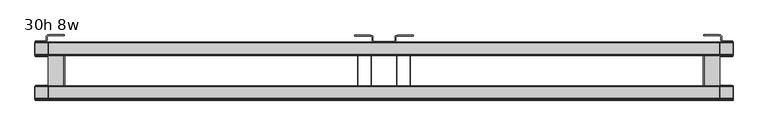
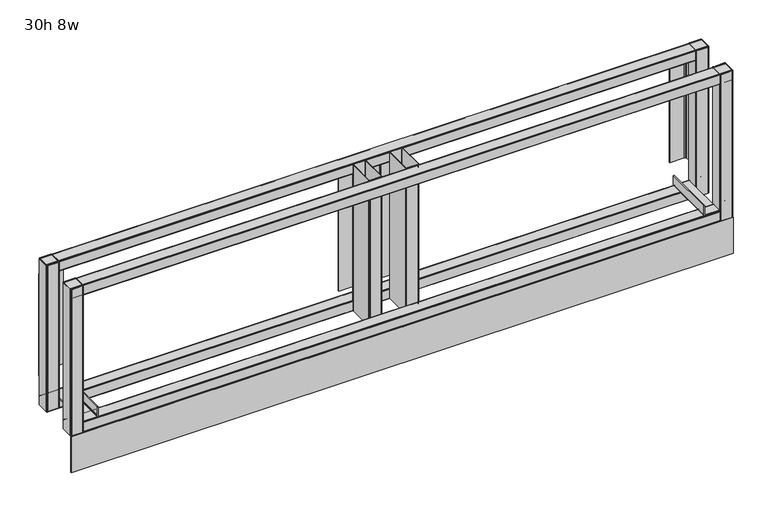
"""IFC4 building model written with IfcOpenShell, lengths in millimetres: furniture geometry, 30h 8w."""

from ifc_helpers import new_model, si_unit, point, frame, frame_2d, origin, origin_with_axes, place, context, project, spatial, polyline, circle_curve, trimmed, segment, composite_curve, outline, extrude, source, transform, mapped, element, save


def furniture_30h_8w_a753b2ae(model_context):
    return source(origin(), model_context, "Body", "SweptSolid", [
        extrude(outline(polyline([(1184.9208445, -23.01875), (1219.2, -23.01875), (1219.2, -26.0161562), (1184.769944, -26.0161562), (1180.6778403, -24.9196801), (1178.4539889, -22.6958267), (1177.6399988, -19.6579869), (1177.6399988, -7.8317466), (1177.233006, -6.3128259), (1176.1210781, -5.2009002), (1171.7916973, -4.0408449), (1117.1778418, -4.0408449), (1117.1778418, -0.9623159), (1171.6398534, -0.9623159), (1177.6399988, -2.5700538), (1179.8638547, -4.7939074), (1180.6778403, -7.8317466), (1180.6778403, -19.6579869), (1181.0848331, -21.1769068), (1182.196761, -22.2888334), (1184.9208445, -23.01875)])), frame((0.0, 0.0, 178.4492695), z_axis=(0.0, 0.0, 1.0), x_axis=(1.0, 0.0, 0.0)), (0.0, 0.0, 1.0), 493.3752805),
        extrude(outline(polyline([(1253.4791555, -23.01875), (1256.203239, -22.2888334), (1257.3151669, -21.1769068), (1257.7221597, -19.6579869), (1257.7221597, -7.8317466), (1258.5361453, -4.7939074), (1260.7600012, -2.5700538), (1266.7601466, -0.9623159), (1321.2221582, -0.9623159), (1321.2221582, -4.0408449), (1266.6083027, -4.0408449), (1262.2789219, -5.2009002), (1261.166994, -6.3128259), (1260.7600012, -7.8317466), (1260.7600012, -19.6579869), (1259.9460111, -22.6958267), (1257.7221597, -24.9196801), (1253.630056, -26.0161562), (1219.2, -26.0161562), (1219.2, -23.01875), (1253.4791555, -23.01875)])), frame((0.0, 0.0, 176.0315177), z_axis=(0.0, 0.0, 1.0), x_axis=(1.0, 0.0, 0.0)), (0.0, 0.0, 1.0), 495.7930323),
        extrude(outline(polyline([(1310.6815183, -176.3631669), (1310.2543166, -177.9575039), (1309.0921861, -179.1196377), (1307.5046862, -179.5450069), (1266.292947, -179.5450069), (1264.844472, -178.8515672), (1263.8751952, -177.5444386), (1263.65, -176.3700054), (1263.65, -75.266001), (1264.844472, -73.6551776), (1266.2929424, -72.9617378), (1268.4223291, -72.9617378), (1307.5046862, -72.9617378), (1309.0921861, -73.3871072), (1310.2543167, -74.5492378), (1310.6815183, -76.1435762), (1310.6815183, -176.3631669)]), holes=[composite_curve([segment(polyline([(1308.774686, -176.421801), (1308.774686, -76.0730142)]), True, "CONTINUOUS"), segment(trimmed(circle_curve(frame_2d((1307.5684096, -76.0730142)), 1.2062764), [point((1308.774686, -76.0730142))], [point((1307.5684096, -74.8667379))], True, "CARTESIAN"), True, "CONTINUOUS"), segment(polyline([(1307.5684096, -74.8667379), (1266.8098272, -74.8667379)]), True, "CONTINUOUS"), segment(trimmed(circle_curve(frame_2d((1266.8098272, -76.1215668)), 1.2548289), [point((1266.8098272, -74.8667379))], [point((1265.5549983, -76.1215668))], True, "CARTESIAN"), True, "CONTINUOUS"), segment(polyline([(1265.5549983, -76.1215668), (1265.5549983, -176.5865426)]), True, "CONTINUOUS"), segment(trimmed(circle_curve(frame_2d((1266.6084599, -176.5865426)), 1.0534616), [point((1265.5549983, -176.5865426))], [point((1266.6084599, -177.6400042))], True, "CARTESIAN"), True, "CONTINUOUS"), segment(polyline([(1266.6084599, -177.6400042), (1307.5564828, -177.6400042)]), True, "CONTINUOUS"), segment(trimmed(circle_curve(frame_2d((1307.5564828, -176.421801)), 1.2182032), [point((1307.5564828, -177.6400042))], [point((1308.774686, -176.421801))], True, "CARTESIAN"), True, "CONTINUOUS")], self_intersect=False)]), frame((0.0, 0.0, 142.2400006), z_axis=(0.0, 0.0, 1.0), x_axis=(1.0, 0.0, 0.0)), (0.0, 0.0, 1.0), 569.0435446),
        extrude(outline(polyline([(1127.7184817, -176.3631669), (1127.7184817, -76.1435769), (1128.1456833, -74.5492385), (1129.3078139, -73.3871079), (1130.8953138, -72.9617386), (1169.9776709, -72.9617378), (1172.1070576, -72.9617378), (1173.555528, -73.6551776), (1174.75, -75.266001), (1174.75, -176.3700054), (1174.5248048, -177.5444386), (1173.555528, -178.8515672), (1172.107053, -179.5450069), (1130.8953138, -179.5450069), (1129.3078139, -179.1196377), (1128.1456834, -177.9575039), (1127.7184817, -176.3631669)]), holes=[composite_curve([segment(trimmed(circle_curve(frame_2d((1130.8435172, -176.4218009)), 1.2182032), [point((1129.625314, -176.4218009))], [point((1130.8435172, -177.6400042))], True, "CARTESIAN"), True, "CONTINUOUS"), segment(polyline([(1130.8435172, -177.6400042), (1171.7915401, -177.6400042)]), True, "CONTINUOUS"), segment(trimmed(circle_curve(frame_2d((1171.7915401, -176.5865426)), 1.0534616), [point((1171.7915401, -177.6400042))], [point((1172.8450017, -176.5865426))], True, "CARTESIAN"), True, "CONTINUOUS"), segment(polyline([(1172.8450017, -176.5865426), (1172.8450017, -76.1215668)]), True, "CONTINUOUS"), segment(trimmed(circle_curve(frame_2d((1171.5901728, -76.1215668)), 1.2548289), [point((1172.8450017, -76.1215668))], [point((1171.5901728, -74.8667379))], True, "CARTESIAN"), True, "CONTINUOUS"), segment(polyline([(1171.5901728, -74.8667379), (1130.8315904, -74.8667385)]), True, "CONTINUOUS"), segment(trimmed(circle_curve(frame_2d((1130.8315904, -76.0730149)), 1.2062764), [point((1130.8315904, -74.8667385))], [point((1129.625314, -76.0730149))], True, "CARTESIAN"), True, "CONTINUOUS"), segment(polyline([(1129.625314, -76.0730149), (1129.625314, -176.4218009)]), True, "CONTINUOUS")], self_intersect=False)]), frame((0.0, 0.0, 142.2400006), z_axis=(0.0, 0.0, 1.0), x_axis=(1.0, 0.0, 0.0)), (0.0, 0.0, 1.0), 569.0435446),
        extrude(outline(polyline([(35.3068785, -22.0564341), (38.030962, -21.3265174), (39.14289, -20.2145909), (39.5498827, -18.695671), (39.5498827, -6.8694307), (40.3638683, -3.8315915), (42.5877242, -1.6077378), (48.5878696, 0.0), (103.0498812, 0.0), (103.0498812, -3.078529), (48.4360257, -3.078529), (44.1066449, -4.2385842), (42.994717, -5.3505099), (42.5877242, -6.8694307), (42.5877242, -18.695671), (41.7737341, -21.7335108), (39.5498827, -23.9573641), (35.457779, -25.0538403), (1.027723, -25.0538403), (1.027723, -22.0564341), (35.3068785, -22.0564341)])), frame((0.0, 0.0, 251.0568051), z_axis=(0.0, 0.0, 1.0), x_axis=(1.0, 0.0, 0.0)), (0.0, 0.0, 1.0), 397.1052306),
        extrude(outline(polyline([(2403.0931215, -22.0564341), (2437.372277, -22.0564341), (2437.372277, -25.0538403), (2402.942221, -25.0538403), (2398.8501173, -23.9573641), (2396.6262659, -21.7335108), (2395.8122758, -18.695671), (2395.8122758, -6.8694307), (2395.405283, -5.3505099), (2394.2933551, -4.2385842), (2389.9639743, -3.078529), (2335.3501188, -3.078529), (2335.3501188, 0.0), (2389.8121304, 0.0), (2395.8122758, -1.6077378), (2398.0361317, -3.8315915), (2398.8501173, -6.8694307), (2398.8501173, -18.695671), (2399.25711, -20.2145909), (2400.369038, -21.3265174), (2403.0931215, -22.0564341)])), frame((0.0, 0.0, 251.0568051), z_axis=(0.0, 0.0, 1.0), x_axis=(1.0, 0.0, 0.0)), (0.0, 0.0, 1.0), 397.1052306),
        extrude(outline(polyline([(217.1649967, 2333.9758798), (183.3880068, 2333.9758798), (180.2764961, 2334.8096043), (177.9987282, 2337.0873722), (177.1650036, 2340.1988647), (177.1650036, 2391.3782739), (180.2130007, 2391.3782739), (180.2130007, 2340.1988647), (180.6383745, 2338.6113708), (181.8004947, 2337.4492506), (183.3880068, 2337.0238768), (217.1649967, 2337.0238768), (217.1649967, 2333.9758798)])), frame((0.0, -223.0555224, 0.0), z_axis=(0.0, 1.0, 0.0), x_axis=(0.0, 0.0, 1.0)), (0.0, 0.0, 1.0), 194.5544148),
        extrude(outline(polyline([(217.1649967, 104.4241202), (217.1649967, 101.3761232), (183.3880068, 101.3761232), (181.8004947, 100.9507494), (180.6383745, 99.7886292), (180.2130007, 98.2011353), (180.2130007, 47.0315183), (177.1650036, 47.0315183), (177.1650036, 98.2011353), (177.9987282, 101.3126278), (180.2764961, 103.5903957), (183.3880068, 104.4241202), (217.1649967, 104.4241202)])), frame((0.0, -223.0555224, 0.0), z_axis=(0.0, 1.0, 0.0), x_axis=(0.0, 0.0, 1.0)), (0.0, 0.0, 1.0), 194.5537952),
        extrude(outline(polyline([(2438.4, -229.202005), (0.762, -229.202005), (0.762, -227.1700069), (2438.4, -227.1700069), (2438.4, -229.202005)])), origin_with_axes(), (0.0, 0.0, 1.0), 139.700003),
        extrude(outline(polyline([(2438.4, -72.6720019), (2437.9727983, -74.2663388), (2436.8106677, -75.4284727), (2435.2231678, -75.8538427), (2394.0114287, -75.8538427), (2392.5629536, -75.160403), (2391.5936768, -73.8532744), (2391.3684817, -72.6788412), (2391.3684817, -27.3581035), (2392.5629536, -25.7472801), (2394.011424, -25.0538403), (2396.1408108, -25.0538403), (2435.2231679, -25.0538403), (2436.8106677, -25.4792096), (2437.9727983, -26.6413403), (2438.4, -28.2356786), (2438.4, -72.6720019)]), holes=[composite_curve([segment(polyline([(2436.4931676, -72.730636), (2436.4931676, -28.1651167)]), True, "CONTINUOUS"), segment(trimmed(circle_curve(frame_2d((2435.2868912, -28.1651167)), 1.2062764), [point((2436.4931676, -28.1651167))], [point((2435.2868912, -26.9588403))], True, "CARTESIAN"), True, "CONTINUOUS"), segment(polyline([(2435.2868912, -26.9588403), (2394.5283089, -26.9588403)]), True, "CONTINUOUS"), segment(trimmed(circle_curve(frame_2d((2394.5283089, -28.2136693)), 1.254829), [point((2394.5283089, -26.9588403))], [point((2393.2734799, -28.2136693))], True, "CARTESIAN"), True, "CONTINUOUS"), segment(polyline([(2393.2734799, -28.2136693), (2393.2734799, -72.8953775)]), True, "CONTINUOUS"), segment(trimmed(circle_curve(frame_2d((2394.3269416, -72.8953775)), 1.0534616), [point((2393.2734799, -72.8953775))], [point((2394.3269416, -73.9488391))], True, "CARTESIAN"), True, "CONTINUOUS"), segment(polyline([(2394.3269416, -73.9488391), (2435.2749644, -73.9488391)]), True, "CONTINUOUS"), segment(trimmed(circle_curve(frame_2d((2435.2749644, -72.730636)), 1.2182032), [point((2435.2749644, -73.9488391))], [point((2436.4931676, -72.730636))], True, "CARTESIAN"), True, "CONTINUOUS")], self_intersect=False)]), frame((0.0, 0.0, 142.2400006), z_axis=(0.0, 0.0, 1.0), x_axis=(1.0, 0.0, 0.0)), (0.0, 0.0, 1.0), 568.9599752),
        extrude(outline(polyline([(2438.4, -226.020165), (2437.9727983, -227.6145019), (2436.8106677, -228.7766357), (2435.2231678, -229.202005), (2394.0114287, -229.202005), (2392.5629536, -228.5085653), (2391.5936768, -227.2014367), (2391.3684817, -226.0270034), (2391.3684817, -180.7062658), (2392.5629536, -179.0954424), (2394.0114242, -178.4020034), (2396.1408108, -178.4020034), (2435.2231679, -178.4020034), (2436.8106677, -178.8273727), (2437.9727983, -179.9895033), (2438.4, -181.5838417), (2438.4, -226.020165)]), holes=[composite_curve([segment(polyline([(2436.4931676, -226.078799), (2436.4931676, -181.5132797)]), True, "CONTINUOUS"), segment(trimmed(circle_curve(frame_2d((2435.2868912, -181.5132797)), 1.2062764), [point((2436.4931676, -181.5132797))], [point((2435.2868912, -180.3070033))], True, "CARTESIAN"), True, "CONTINUOUS"), segment(polyline([(2435.2868912, -180.3070033), (2394.5283089, -180.3070026)]), True, "CONTINUOUS"), segment(trimmed(circle_curve(frame_2d((2394.5283089, -181.5618316)), 1.2548289), [point((2394.5283089, -180.3070026))], [point((2393.27348, -181.5618316))], True, "CARTESIAN"), True, "CONTINUOUS"), segment(polyline([(2393.27348, -181.5618316), (2393.27348, -226.2435406)]), True, "CONTINUOUS"), segment(trimmed(circle_curve(frame_2d((2394.3269416, -226.2435406)), 1.0534615), [point((2393.27348, -226.2435406))], [point((2394.3269416, -227.2970021))], True, "CARTESIAN"), True, "CONTINUOUS"), segment(polyline([(2394.3269416, -227.2970021), (2435.2749644, -227.2970021)]), True, "CONTINUOUS"), segment(trimmed(circle_curve(frame_2d((2435.2749644, -226.078799)), 1.2182032), [point((2435.2749644, -227.2970021))], [point((2436.4931676, -226.078799))], True, "CARTESIAN"), True, "CONTINUOUS")], self_intersect=False)]), frame((0.0, 0.0, 142.2400006), z_axis=(0.0, 0.0, 1.0), x_axis=(1.0, 0.0, 0.0)), (0.0, 0.0, 1.0), 569.0435446),
        extrude(outline(polyline([(0.0, -72.6720025), (0.0, -28.2356792), (0.4272017, -26.6413409), (1.5893323, -25.4792102), (3.1768321, -25.0538409), (42.2591892, -25.0538401), (44.3885759, -25.0538401), (45.8370464, -25.7472799), (47.0315183, -27.3581033), (47.0315183, -72.678841), (46.8063232, -73.8532742), (45.8370464, -75.1604028), (44.3885713, -75.8538425), (3.1768322, -75.8538425), (1.5893323, -75.4284733), (0.4272017, -74.2663394), (0.0, -72.6720025)]), holes=[composite_curve([segment(trimmed(circle_curve(frame_2d((3.1250356, -72.7306366)), 1.2182032), [point((1.9068324, -72.7306366))], [point((3.1250356, -73.9488397))], True, "CARTESIAN"), True, "CONTINUOUS"), segment(polyline([(3.1250356, -73.9488397), (44.0730584, -73.9488397)]), True, "CONTINUOUS"), segment(trimmed(circle_curve(frame_2d((44.0730584, -72.8953781)), 1.0534617), [point((44.0730584, -73.9488397))], [point((45.1265201, -72.8953781))], True, "CARTESIAN"), True, "CONTINUOUS"), segment(polyline([(45.1265201, -72.8953781), (45.1265201, -28.2136691)]), True, "CONTINUOUS"), segment(trimmed(circle_curve(frame_2d((43.8716912, -28.2136691)), 1.2548289), [point((45.1265201, -28.2136691))], [point((43.8716911, -26.9588402))], True, "CARTESIAN"), True, "CONTINUOUS"), segment(polyline([(43.8716911, -26.9588402), (3.1131087, -26.9588408)]), True, "CONTINUOUS"), segment(trimmed(circle_curve(frame_2d((3.1131088, -28.1651172)), 1.2062764), [point((3.1131087, -26.9588408))], [point((1.9068324, -28.1651172))], True, "CARTESIAN"), True, "CONTINUOUS"), segment(polyline([(1.9068324, -28.1651172), (1.9068324, -72.7306366)]), True, "CONTINUOUS")], self_intersect=False)]), frame((0.0, 0.0, 142.2400006), z_axis=(0.0, 0.0, 1.0), x_axis=(1.0, 0.0, 0.0)), (0.0, 0.0, 1.0), 568.9599752),
        extrude(outline(polyline([(0.0, -226.020165), (0.0, -181.5838417), (0.4272017, -179.9895033), (1.5893323, -178.8273727), (3.1768321, -178.4020034), (42.2591892, -178.4020026), (44.3885759, -178.4020026), (45.8370464, -179.0954424), (47.0315183, -180.7062658), (47.0315183, -226.0270034), (46.8063232, -227.2014367), (45.8370464, -228.5085653), (44.3885713, -229.202005), (3.1768322, -229.202005), (1.5893323, -228.7766357), (0.4272017, -227.6145019), (0.0, -226.020165)]), holes=[composite_curve([segment(trimmed(circle_curve(frame_2d((3.1250356, -226.078799)), 1.2182032), [point((1.9068324, -226.078799))], [point((3.1250356, -227.2970022))], True, "CARTESIAN"), True, "CONTINUOUS"), segment(polyline([(3.1250356, -227.2970022), (44.0730584, -227.2970022)]), True, "CONTINUOUS"), segment(trimmed(circle_curve(frame_2d((44.0730584, -226.2435405)), 1.0534617), [point((44.0730584, -227.2970022))], [point((45.1265201, -226.2435405))], True, "CARTESIAN"), True, "CONTINUOUS"), segment(polyline([(45.1265201, -226.2435405), (45.1265201, -181.5618316)]), True, "CONTINUOUS"), segment(trimmed(circle_curve(frame_2d((43.8716912, -181.5618316)), 1.2548289), [point((45.1265201, -181.5618316))], [point((43.8716911, -180.3070027))], True, "CARTESIAN"), True, "CONTINUOUS"), segment(polyline([(43.8716911, -180.3070027), (3.1131088, -180.3070033)]), True, "CONTINUOUS"), segment(trimmed(circle_curve(frame_2d((3.1131088, -181.5132797)), 1.2062764), [point((3.1131088, -180.3070033))], [point((1.9068324, -181.5132797))], True, "CARTESIAN"), True, "CONTINUOUS"), segment(polyline([(1.9068324, -181.5132797), (1.9068324, -226.078799)]), True, "CONTINUOUS")], self_intersect=False)]), frame((0.0, 0.0, 142.2400006), z_axis=(0.0, 0.0, 1.0), x_axis=(1.0, 0.0, 0.0)), (0.0, 0.0, 1.0), 569.0435446),
        extrude(outline(polyline([(-223.0347979, 139.2159088), (-224.8414605, 139.700003), (-226.0035943, 140.8621336), (-226.230526, 141.7090545), (-226.230526, 176.0315177), (-225.5370863, 177.4799928), (-224.2299577, 178.4492695), (-223.0555224, 178.6744651), (-181.8492701, 178.6744693), (-180.2384467, 177.4799928), (-179.5450075, 176.0315223), (-179.5450075, 173.9021356), (-179.5450075, 143.1902128), (-180.1688145, 140.8621336), (-181.3309451, 139.700003), (-183.1376095, 139.2159088), (-223.0347979, 139.2159088)]), holes=[composite_curve([segment(polyline([(-223.6805188, 140.8550736), (-182.557065, 140.8550736)]), True, "CONTINUOUS"), segment(trimmed(circle_curve(frame_2d((-182.557065, 142.06135)), 1.2062764), [point((-182.557065, 140.8550736))], [point((-181.3507886, 142.06135))], True, "CARTESIAN"), True, "CONTINUOUS"), segment(polyline([(-181.3507886, 142.06135), (-181.3507886, 175.4154189)]), True, "CONTINUOUS"), segment(trimmed(circle_curve(frame_2d((-182.6056175, 175.4154189)), 1.2548289), [point((-181.3507886, 175.4154189))], [point((-182.6056175, 176.6702478))], True, "CARTESIAN"), True, "CONTINUOUS"), segment(polyline([(-182.6056175, 176.6702478), (-223.6173616, 176.6702478)]), True, "CONTINUOUS"), segment(trimmed(circle_curve(frame_2d((-223.6173616, 175.813258)), 0.8569898), [point((-223.6173616, 176.6702478))], [point((-224.4743514, 175.813258))], True, "CARTESIAN"), True, "CONTINUOUS"), segment(polyline([(-224.4743514, 175.813258), (-224.4743514, 174.747971), (-224.4743514, 141.6489063)]), True, "CONTINUOUS"), segment(trimmed(circle_curve(frame_2d((-223.6805188, 141.6489063)), 0.7938326), [point((-224.4743514, 141.6489063))], [point((-223.6805188, 140.8550736))], True, "CARTESIAN"), True, "CONTINUOUS")], self_intersect=False)]), frame((1.9068324, 0.0, 0.0), z_axis=(1.0, 0.0, 0.0), x_axis=(0.0, 1.0, 0.0)), (0.0, 0.0, 1.0), 2436.4931676),
        extrude(outline(polyline([(-69.6866351, 139.2159088), (-71.4932977, 139.700003), (-72.6554315, 140.8621336), (-72.8823632, 141.7090545), (-72.8823632, 176.0315177), (-72.1889235, 177.4799928), (-70.8817949, 178.4492695), (-69.7073595, 178.6744651), (-28.5011076, 178.6744693), (-26.8902842, 177.4799928), (-26.1968444, 176.0315223), (-26.1968444, 173.9021356), (-26.1968444, 143.1902128), (-26.8206514, 140.8621336), (-27.982782, 139.700003), (-29.7894465, 139.2159088), (-69.6866351, 139.2159088)]), holes=[composite_curve([segment(polyline([(-70.332356, 140.8550736), (-29.2089019, 140.8550736)]), True, "CONTINUOUS"), segment(trimmed(circle_curve(frame_2d((-29.2089019, 142.06135)), 1.2062764), [point((-29.2089019, 140.8550736))], [point((-28.0026255, 142.06135))], True, "CARTESIAN"), True, "CONTINUOUS"), segment(polyline([(-28.0026255, 142.06135), (-28.0026255, 175.4154189)]), True, "CONTINUOUS"), segment(trimmed(circle_curve(frame_2d((-29.2574544, 175.4154189)), 1.2548289), [point((-28.0026255, 175.4154189))], [point((-29.2574544, 176.6702478))], True, "CARTESIAN"), True, "CONTINUOUS"), segment(polyline([(-29.2574544, 176.6702478), (-70.2691988, 176.6702478)]), True, "CONTINUOUS"), segment(trimmed(circle_curve(frame_2d((-70.2691988, 175.813258)), 0.8569898), [point((-70.2691988, 176.6702478))], [point((-71.1261886, 175.813258))], True, "CARTESIAN"), True, "CONTINUOUS"), segment(polyline([(-71.1261886, 175.813258), (-71.1261886, 174.747971), (-71.1261886, 141.6489063)]), True, "CONTINUOUS"), segment(trimmed(circle_curve(frame_2d((-70.332356, 141.6489063)), 0.7938326), [point((-71.1261886, 141.6489063))], [point((-70.332356, 140.8550736))], True, "CARTESIAN"), True, "CONTINUOUS")], self_intersect=False)]), frame((1.9068324, 0.0, 0.0), z_axis=(1.0, 0.0, 0.0), x_axis=(0.0, 1.0, 0.0)), (0.0, 0.0, 1.0), 2436.4931676),
        extrude(outline(polyline([(-223.0347979, 671.8249791), (-224.8414605, 672.3090734), (-226.0035943, 673.4712039), (-226.230526, 674.3181248), (-226.230526, 708.6405881), (-225.5370863, 710.0890631), (-224.2299577, 711.0583399), (-223.0532062, 711.2839796), (-181.849869, 711.2839796), (-180.2384467, 710.0890631), (-179.5450069, 708.6405927), (-179.5450069, 706.511206), (-179.5450069, 675.7992832), (-180.1688139, 673.4712039), (-181.3309445, 672.3090734), (-183.1376089, 671.8249791), (-223.0347979, 671.8249791)]), holes=[composite_curve([segment(polyline([(-223.6805188, 673.464144), (-182.5570644, 673.464144)]), True, "CONTINUOUS"), segment(trimmed(circle_curve(frame_2d((-182.5570644, 674.6704204)), 1.2062764), [point((-182.5570644, 673.464144))], [point((-181.350788, 674.6704204))], True, "CARTESIAN"), True, "CONTINUOUS"), segment(polyline([(-181.350788, 674.6704204), (-181.350788, 708.0244893)]), True, "CONTINUOUS"), segment(trimmed(circle_curve(frame_2d((-182.6056169, 708.0244893)), 1.2548289), [point((-181.350788, 708.0244893))], [point((-182.6056169, 709.2793182))], True, "CARTESIAN"), True, "CONTINUOUS"), segment(polyline([(-182.6056169, 709.2793182), (-223.6173616, 709.2793182)]), True, "CONTINUOUS"), segment(trimmed(circle_curve(frame_2d((-223.6173616, 708.4223284)), 0.8569898), [point((-223.6173616, 709.2793182))], [point((-224.4743514, 708.4223284))], True, "CARTESIAN"), True, "CONTINUOUS"), segment(polyline([(-224.4743514, 708.4223284), (-224.4743514, 707.3570413), (-224.4743514, 674.2579766)]), True, "CONTINUOUS"), segment(trimmed(circle_curve(frame_2d((-223.6805188, 674.2579766)), 0.7938326), [point((-224.4743514, 674.2579766))], [point((-223.6805188, 673.464144))], True, "CARTESIAN"), True, "CONTINUOUS")], self_intersect=False)]), frame((1.9068324, 0.0, 0.0), z_axis=(1.0, 0.0, 0.0), x_axis=(0.0, 1.0, 0.0)), (0.0, 0.0, 1.0), 2436.4931676),
        extrude(outline(polyline([(-69.6866351, 671.8249791), (-71.4932977, 672.3090734), (-72.6554315, 673.4712039), (-72.8823632, 674.3181248), (-72.8823632, 708.6405881), (-72.1889235, 710.0890631), (-70.8817949, 711.0583399), (-69.7049635, 711.2839949), (-28.5017272, 711.2839949), (-26.8902842, 710.0890631), (-26.1968444, 708.6405927), (-26.1968444, 706.511206), (-26.1968444, 675.7992832), (-26.8206514, 673.4712039), (-27.982782, 672.3090734), (-29.7894465, 671.8249791), (-69.6866351, 671.8249791)]), holes=[composite_curve([segment(polyline([(-70.332356, 673.464144), (-29.2089019, 673.464144)]), True, "CONTINUOUS"), segment(trimmed(circle_curve(frame_2d((-29.2089019, 674.6704204)), 1.2062764), [point((-29.2089019, 673.464144))], [point((-28.0026255, 674.6704204))], True, "CARTESIAN"), True, "CONTINUOUS"), segment(polyline([(-28.0026255, 674.6704204), (-28.0026255, 708.0244893)]), True, "CONTINUOUS"), segment(trimmed(circle_curve(frame_2d((-29.2574544, 708.0244893)), 1.2548289), [point((-28.0026255, 708.0244893))], [point((-29.2574544, 709.2793182))], True, "CARTESIAN"), True, "CONTINUOUS"), segment(polyline([(-29.2574544, 709.2793182), (-70.2691988, 709.2793182)]), True, "CONTINUOUS"), segment(trimmed(circle_curve(frame_2d((-70.2691988, 708.4223284)), 0.8569898), [point((-70.2691988, 709.2793182))], [point((-71.1261886, 708.4223284))], True, "CARTESIAN"), True, "CONTINUOUS"), segment(polyline([(-71.1261886, 708.4223284), (-71.1261886, 707.3570413), (-71.1261886, 674.2579766)]), True, "CONTINUOUS"), segment(trimmed(circle_curve(frame_2d((-70.332356, 674.2579766)), 0.7938326), [point((-71.1261886, 674.2579766))], [point((-70.332356, 673.464144))], True, "CARTESIAN"), True, "CONTINUOUS")], self_intersect=False)]), frame((1.9068324, 0.0, 0.0), z_axis=(1.0, 0.0, 0.0), x_axis=(0.0, 1.0, 0.0)), (0.0, 0.0, 1.0), 2436.4931676),
    ])


if __name__ == "__main__":
    model = new_model("IFC4")
    model_context = context("Model", 3, world=origin())
    ifc_project = project(units=[si_unit("LENGTHUNIT", "METRE", prefix="MILLI")], contexts=[model_context])
    site = spatial("IfcSite", under=ifc_project)
    building = spatial("IfcBuilding", under=site)
    placement = place(None, origin())
    furniture_30h_8w_shape = furniture_30h_8w_a753b2ae(model_context)
    element("IfcFurniture", 1, ObjectType="30h 8w", at=placement, inside=building, context=model_context, shape_type="MappedRepresentation", body=[
        mapped(furniture_30h_8w_shape, transform((0.0, 0.0, 0.0), x_axis=(1.0, 0.0, 0.0), y_axis=(0.0, 1.0, 0.0), z_axis=(0.0, 0.0, 1.0))),
    ])
    save(model, "model.ifc")
